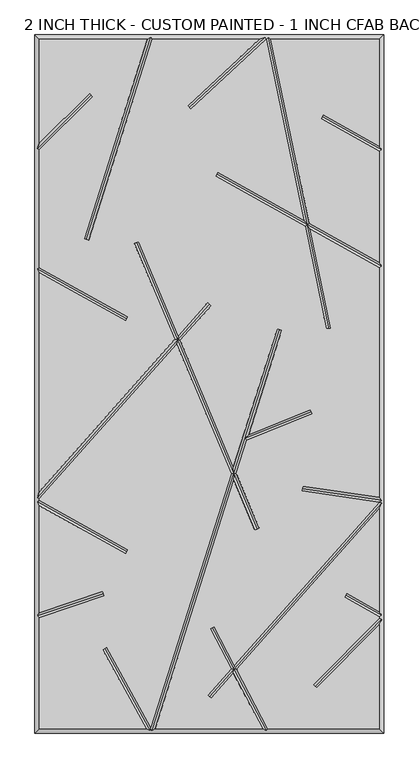
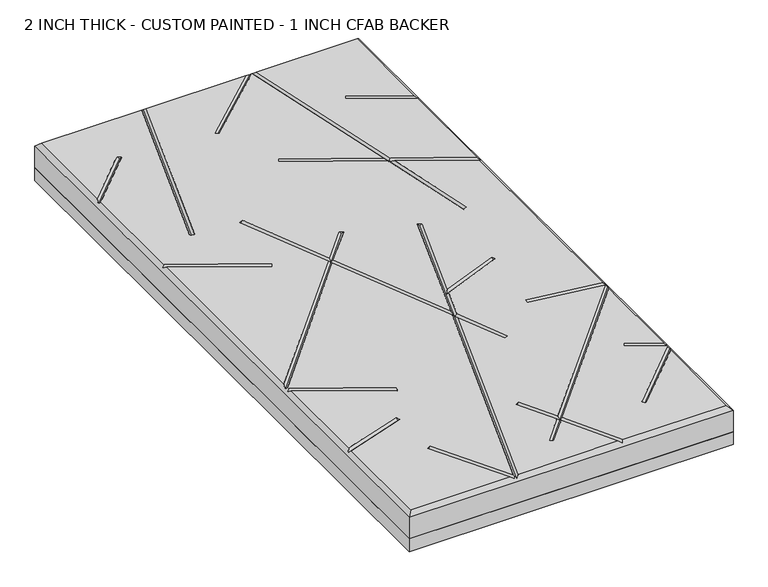
"""IFC4 building model written with IfcOpenShell, lengths in millimetres: proxy geometry, 2 INCH THICK - CUSTOM PAINTED - 1 INCH CFAB BACKER."""

from ifc_helpers import new_model, si_unit, frame, origin, place, context, project, spatial, polyline, outline, extrude, faceted_brep, source, transform, mapped, element, save


def proxy_2_inch_thick_custom_painted_1_inch_cfab_backer_30935414(model_context):
    return source(origin(), model_context, "Body", "SolidModel", [
        extrude(outline(polyline([(-304.8, 609.6), (304.8, 609.6), (304.8, -609.6), (-304.8, -609.6), (-304.8, 609.6)])), frame((0.0, 0.0, -25.4), z_axis=(0.0, 0.0, 1.0), x_axis=(1.0, 0.0, 0.0)), (0.0, 0.0, 1.0), 25.4),
        faceted_brep([(-296.799, 601.599, 50.8), (-296.799, 420.0585614, 50.8), (-209.465267, 507.3922944, 50.8), (-203.8077056, 501.734733, 50.8), (-296.799, 408.7434386, 50.8), (-296.799, 203.3118869, 50.8), (-142.5916835, 117.1439143, 50.8), (-146.4945108, 110.1593642, 50.8), (-296.799, 194.1465147, 50.8), (-296.799, -188.1783655, 50.8), (-60.414797, 77.7314881, 50.8), (-130.9100687, 245.4965414, 50.8), (-123.5338229, 248.5960573, 50.8), (-54.5217155, 84.360647, 50.8), (-2.9898999, 142.3290618, 50.8), (2.9898999, 137.0132369, 50.8), (-51.0856167, 76.1833992, 50.8), (41.8198404, -144.9135422, 50.8), (118.4676512, 96.3670459, 50.8), (126.0931354, 93.9446518, 50.8), (68.2308495, -88.200751, 50.8), (176.389257, -44.7967941, 50.8), (179.3690728, -52.2222031, 50.8), (65.0919979, -98.0815805, 50.8), (46.6006106, -156.2908465, 50.8), (86.8913986, -252.1750957, 50.8), (79.5151528, -255.2746116, 50.8), (42.86425, -168.0525821, 50.8), (-94.8608114, -601.599, 50.8), (92.8718763, -601.599, 50.8), (41.9909547, -504.8565668, 50.8), (2.9898999, -548.7290618, 50.8), (-2.9898999, -543.4132369, 50.8), (38.011603, -497.2904271, 50.8), (1.2803392, -427.4514438, 50.8), (8.3616601, -423.7270787, 50.8), (43.691373, -490.9012234, 50.8), (296.799, -206.1791008, 50.8), (161.5180376, -186.5574472, 50.8), (162.66123, -178.6385386, 50.8), (296.799, -198.0029854, 50.8), (296.799, 203.0881131, 50.8), (176.1280645, 270.5166249, 50.8), (212.0312358, 97.6915725, 50.8), (204.1974911, 96.064168, 50.8), (166.8830535, 275.6825527, 50.8), (10.5996532, 363.0105994, 50.8), (14.5024805, 369.9951496, 50.8), (164.7289602, 286.0515892, 50.8), (99.1762375, 601.599, 50.8), (98.8402099, 601.599, 50.8), (-32.7718055, 479.8900914, 50.8), (-38.2040457, 485.7643375, 50.8), (87.055753, 601.599, 50.8), (-99.9441805, 601.599, 50.8), (-211.1838045, 251.4264167, 50.8), (-218.8092886, 253.8488108, 50.8), (-108.3391886, 601.599, 50.8), (101.9119977, -601.599, 50.8), (296.799, -601.599, 50.8), (296.799, -420.1587392, 50.8), (187.3700731, -530.5992999, 50.8), (181.6865411, -524.967829, 50.8), (296.799, -408.7911939, 50.8), (296.799, -406.5118869, 50.8), (236.129826, -372.6111626, 50.8), (240.0326533, -365.6266125, 50.8), (296.799, -397.3465147, 50.8), (296.799, -218.2216345, 50.8), (47.6707247, -498.4673632, 50.8), (173.9739712, 280.8856615, 50.8), (296.799, 212.2534853, 50.8), (296.799, 406.2881131, 50.8), (194.792886, 463.287095, 50.8), (198.6957133, 470.2716451, 50.8), (296.799, 415.4534853, 50.8), (296.799, 601.599, 50.8), (107.3480638, 601.599, 50.8), (38.0834798, -156.6752779, 50.8), (-56.9786982, 69.5542403, 50.8), (-296.799, -200.2208992, 50.8), (-296.799, -203.0881131, 50.8), (-142.5916835, -289.2560857, 50.8), (-146.4945108, -296.2406358, 50.8), (-296.799, -212.2534853, 50.8), (-296.799, -399.4880331, 50.8), (-186.4041101, -362.3555047, 50.8), (-183.8533173, -369.9390037, 50.8), (-296.799, -407.9295192, 50.8), (-296.799, -601.599, 50.8), (-110.5588891, -601.599, 50.8), (-186.2344077, -463.8225395, 50.8), (-179.2216231, -459.970676, 50.8), (-102.5869372, -599.4934169, 50.8), (-304.8, 609.6, 0.0), (304.8, 609.6, 0.0), (304.8, -609.6, 0.0), (-304.8, -609.6, 0.0), (-304.8, -609.6, 42.799), (-304.8, 609.6, 42.799), (304.8, -609.6, 42.799), (304.8, 609.6, 42.799), (-102.8708423, 605.5995, 46.7995), (97.2739907, 605.5995, 46.7995), (102.4310753, 605.5995, 46.7995), (-300.7995, -405.0543881, 46.7995), (-300.7995, -205.4353996, 46.7995), (-300.7995, -198.6998162, 46.7995), (-300.7995, 200.9646004, 46.7995), (-300.7995, 410.4005, 46.7995), (99.4959685, -605.5995, 46.7995), (-100.3291577, -605.5995, 46.7995), (-102.246608, -602.9785071, 49.4204929), (-103.7973268, -605.5995, 46.7995), (300.7995, 408.6353996, 46.7995), (300.7995, 205.4353996, 46.7995), (300.7995, -202.6224783, 46.7995), (300.7995, -207.7001838, 46.7995), (300.7995, -404.1646004, 46.7995), (300.7995, -410.4374833, 46.7995), (-206.6364863, 504.5635137, 46.7995), (-214.9965466, 252.6376137, 46.7995), (-144.5430971, 113.6516392, 46.7995), (12.5510669, 366.5028745, 46.7995), (170.4285124, 278.2841071, 46.7995), (-35.4879256, 482.8272145, 46.7995), (208.1143635, 96.8778703, 46.7995), (196.7442997, 466.77937, 46.7995), (122.2803933, 95.1558489, 46.7995), (42.3420452, -156.4830622, 46.7995), (61.850634, -95.0717351, 46.7995), (83.2032757, -253.7248536, 46.7995), (-127.2219458, 247.0462994, 46.7995), (-55.7502068, 76.9574436, 46.7995), (0.0, 139.6711493, 46.7995), (-185.1287137, -366.1472542, 46.7995), (-144.5430971, -292.7483608, 46.7995), (-182.7280154, -461.8966077, 46.7995), (4.8209997, -425.5892613, 46.7995), (42.8411639, -497.8788951, 46.7995), (184.5283071, -527.7835644, 46.7995), (238.0812397, -369.1188875, 46.7995), (0.0, -546.0711493, 46.7995), (162.0896338, -182.5979929, 46.7995), (177.8791649, -48.5094986, 46.7995)], [[[0, 1, 2, 3, 4, 5, 6, 7, 8, 9, 10, 11, 12, 13, 14, 15, 16, 17, 18, 19, 20, 21, 22, 23, 24, 25, 26, 27, 28, 29, 30, 31, 32, 33, 34, 35, 36, 37, 38, 39, 40, 41, 42, 43, 44, 45, 46, 47, 48, 49, 50, 51, 52, 53, 54, 55, 56, 57]], [[58, 59, 60, 61, 62, 63, 64, 65, 66, 67, 68, 69]], [[70, 71, 72, 73, 74, 75, 76, 77]], [[78, 79, 80, 81, 82, 83, 84, 85, 86, 87, 88, 89, 90, 91, 92, 93]], [[94, 95, 96, 97]], [[94, 97, 98, 99]], [[97, 96, 100, 98]], [[96, 95, 101, 100]], [[95, 94, 99, 101]], [[99, 0, 57, 102, 54, 53, 103, 50, 49, 104, 77, 76, 101]], [[0, 99, 98, 89, 88, 105, 85, 84, 106, 81, 80, 107, 9, 8, 108, 5, 4, 109, 1]], [[89, 98, 100, 59, 58, 110, 29, 28, 111, 112, 113, 90]], [[101, 76, 75, 114, 72, 71, 115, 41, 40, 116, 37, 117, 68, 67, 118, 64, 63, 119, 60, 59, 100]], [[2, 120, 3]], [[120, 2, 1, 109]], [[3, 120, 109, 4]], [[55, 121, 56]], [[121, 55, 54, 102]], [[56, 121, 102, 57]], [[6, 122, 7]], [[122, 6, 5, 108]], [[7, 122, 108, 8]], [[46, 123, 47]], [[41, 115, 124, 42]], [[123, 46, 45, 124]], [[115, 71, 70, 124]], [[47, 123, 124, 48]], [[51, 125, 52]], [[125, 51, 50, 103]], [[52, 125, 103, 53]], [[43, 126, 44]], [[44, 126, 124, 45]], [[124, 104, 49, 48]], [[126, 43, 42, 124]], [[104, 124, 70, 77]], [[73, 127, 74]], [[127, 73, 72, 114]], [[74, 127, 114, 75]], [[18, 128, 19]], [[111, 28, 27, 129]], [[19, 128, 130, 20]], [[129, 24, 23, 130]], [[128, 18, 17, 129, 130]], [[111, 129, 78, 93, 112]], [[25, 131, 26]], [[11, 132, 12]], [[78, 129, 133, 79]], [[26, 131, 129, 27]], [[132, 11, 10, 133]], [[129, 17, 16, 133]], [[131, 25, 24, 129]], [[12, 132, 133, 13]], [[14, 134, 15]], [[134, 14, 13, 133]], [[107, 133, 10, 9]], [[15, 134, 133, 16]], [[133, 107, 80, 79]], [[86, 135, 87]], [[135, 86, 85, 105]], [[87, 135, 105, 88]], [[82, 136, 83]], [[83, 136, 106, 84]], [[136, 82, 81, 106]], [[91, 137, 92]], [[137, 91, 90, 113]], [[92, 137, 113, 112, 93]], [[34, 138, 35]], [[29, 110, 139, 30]], [[138, 34, 33, 139]], [[110, 58, 69, 139]], [[35, 138, 139, 36]], [[61, 140, 62]], [[62, 140, 119, 63]], [[140, 61, 60, 119]], [[65, 141, 66]], [[141, 65, 64, 118]], [[66, 141, 118, 67]], [[31, 142, 32]], [[32, 142, 139, 33]], [[139, 117, 37, 36]], [[142, 31, 30, 139]], [[117, 139, 69, 68]], [[38, 143, 39]], [[143, 38, 37, 116]], [[39, 143, 116, 40]], [[21, 144, 22]], [[144, 21, 20, 130]], [[22, 144, 130, 23]]]),
    ])


if __name__ == "__main__":
    model = new_model("IFC4")
    model_context = context("Model", 3, world=origin())
    ifc_project = project(units=[si_unit("LENGTHUNIT", "METRE", prefix="MILLI")], contexts=[model_context])
    site = spatial("IfcSite", under=ifc_project)
    building = spatial("IfcBuilding", under=site)
    placement = place(None, origin())
    proxy_2_inch_thick_custom_painted_1_inch_cfab_backer_shape = proxy_2_inch_thick_custom_painted_1_inch_cfab_backer_30935414(model_context)
    element("IfcBuildingElementProxy", 1, Name="2 INCH THICK - CUSTOM PAINTED - 1 INCH CFAB BACKER", ObjectType="2 INCH THICK - CUSTOM PAINTED - 1 INCH CFAB BACKER", at=placement, inside=building, context=model_context, shape_type="MappedRepresentation", body=[
        mapped(proxy_2_inch_thick_custom_painted_1_inch_cfab_backer_shape, transform((0.0, 0.0, 0.0), x_axis=(1.0, 0.0, 0.0), y_axis=(0.0, 1.0, 0.0), z_axis=(0.0, 0.0, 1.0))),
    ])
    save(model, "model.ifc")
